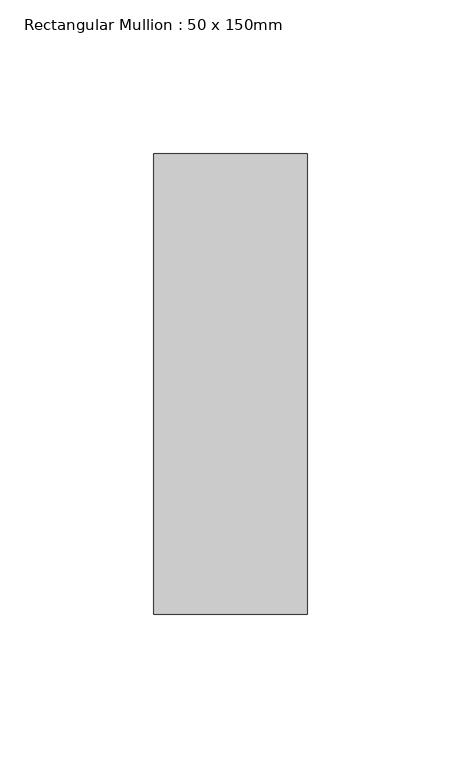
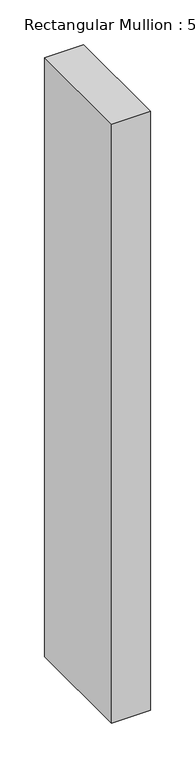
"""IFC4 building model written with IfcOpenShell, lengths in millimetres: member geometry, Rectangular Mullion : 50 x 150mm."""

from ifc_helpers import new_model, si_unit, frame, origin, place, context, project, spatial, polyline, outline, extrude, source, transform, mapped, element, save


def rectangular_mullion_50_x_150mm_a96611e8(model_context):
    return source(origin(), model_context, "Body", "SweptSolid", [
        extrude(outline(polyline([(0.0, 75.0), (0.0, -75.0), (-50.0, -75.0), (-50.0, 75.0), (0.0, 75.0)])), frame((0.0, 0.0, -816.6666667), z_axis=(0.0, 0.0, 1.0), x_axis=(1.0, 0.0, 0.0)), (0.0, 0.0, 1.0), 816.6666667),
    ])


if __name__ == "__main__":
    model = new_model("IFC4")
    model_context = context("Model", 3, world=origin())
    ifc_project = project(units=[si_unit("LENGTHUNIT", "METRE", prefix="MILLI")], contexts=[model_context])
    site = spatial("IfcSite", under=ifc_project)
    building = spatial("IfcBuilding", under=site)
    placement = place(None, origin())
    rectangular_mullion_50_x_150mm_shape = rectangular_mullion_50_x_150mm_a96611e8(model_context)
    element("IfcMember", 1, ObjectType="Rectangular Mullion : 50 x 150mm", at=placement, inside=building, context=model_context, shape_type="MappedRepresentation", body=[
        mapped(rectangular_mullion_50_x_150mm_shape, transform((0.0, 0.0, 0.0), x_axis=(1.0, 0.0, 0.0), y_axis=(0.0, 1.0, 0.0), z_axis=(0.0, 0.0, 1.0))),
    ])
    save(model, "model.ifc")
